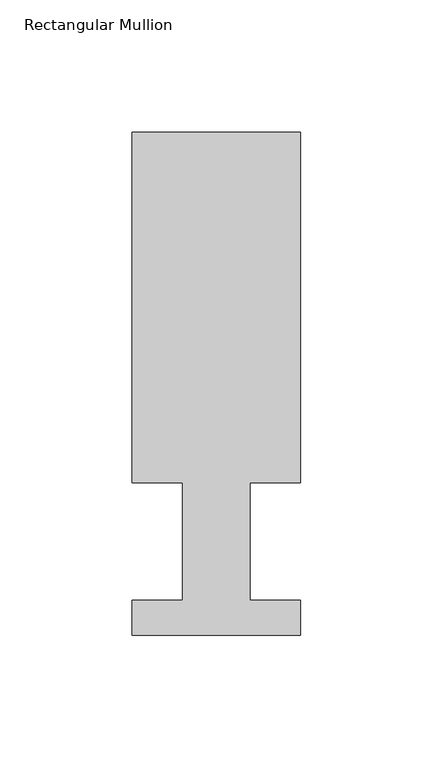
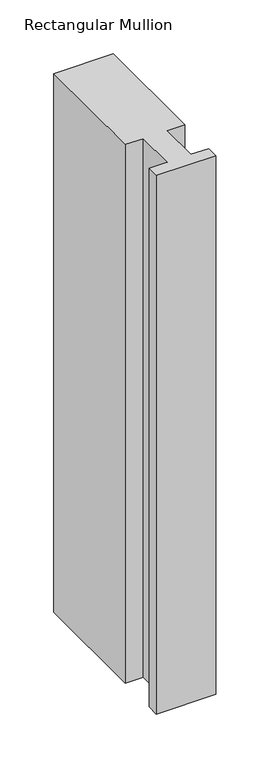
"""IFC4 building model written with IfcOpenShell, lengths in millimetres: member geometry, Rectangular Mullion."""

import ifcopenshell
import ifcopenshell.guid

model = None  # the IFC model being written
_history = None  # IfcOwnerHistory: only IFC2X3 demands one
_inside = {}  # id of a spatial element -> (the spatial element, [elements in it])
_under = {}  # id of a project, library or spatial element -> (it, [spatial elements below it])
_declared = {}  # id of a project -> (the project, [libraries it declares])
_typed = {}  # id of a type object -> (the type object, [elements of that type])
_made_of = {}  # id of a material, layer set ... -> (it, [elements and type objects made of it])


def new_model(schema):
    """Start an empty IFC model of exactly this schema.

    Asked for "IFC4X3", IfcOpenShell would pick the latest addendum, in which some entities
    have other attributes; the version numbers below select the first issue.
    IFC2X3 requires an IfcOwnerHistory on every rooted entity: one is made here for all.
    """
    global model, _history
    if schema == "IFC4X3":
        model = ifcopenshell.file(schema_version=(4, 3, 0, 0))
    else:
        model = ifcopenshell.file(schema=schema)
    _inside.clear()
    _under.clear()
    _declared.clear()
    _typed.clear()
    _made_of.clear()
    _history = None
    if model.schema == "IFC2X3":
        org = make("IfcOrganization", Name="unknown")
        user = make(
            "IfcPersonAndOrganization",
            ThePerson=make("IfcPerson", FamilyName="unknown"),
            TheOrganization=org,
        )
        app = make(
            "IfcApplication",
            ApplicationDeveloper=org,
            Version="unknown",
            ApplicationFullName="unknown",
            ApplicationIdentifier="unknown",
        )
        _history = make(
            "IfcOwnerHistory",
            OwningUser=user,
            OwningApplication=app,
            ChangeAction="ADDED",
            CreationDate=0,
        )
    return model


def make(cls, **values):
    """One entity of the class cls with the attributes given. An attribute that is None is left unset."""
    return model.create_entity(
        cls, **{name: value for name, value in values.items() if value is not None}
    )


def rooted(cls, **values):
    """An entity with a GlobalId (a new one), such as an element, a storey or a relation."""
    return make(cls, GlobalId=ifcopenshell.guid.new(), OwnerHistory=_history, **values)


def si_unit(unit_type, name, prefix=None):
    """IfcSIUnit, for example si_unit("LENGTHUNIT", "METRE", prefix="MILLI")."""
    return make("IfcSIUnit", UnitType=unit_type, Prefix=prefix, Name=name)


def assignment(units):
    """IfcUnitAssignment: the units of a project."""
    return None if units is None else make("IfcUnitAssignment", Units=units)


def point(xyz):
    """IfcCartesianPoint."""
    return None if xyz is None else make("IfcCartesianPoint", Coordinates=xyz)


def direction(xyz):
    """IfcDirection."""
    return None if xyz is None else make("IfcDirection", DirectionRatios=xyz)


def frame(location, z_axis=None, x_axis=None):
    """IfcAxis2Placement3D, a coordinate frame: its origin and axes. An axis left out is left unset."""
    return make(
        "IfcAxis2Placement3D",
        Location=point(location),
        Axis=direction(z_axis),
        RefDirection=direction(x_axis),
    )


def origin():
    """The frame at (0, 0, 0) with its axes left unset."""
    return frame((0.0, 0.0, 0.0))


def place(relative_to, where):
    """IfcLocalPlacement: puts the frame where relative to a parent placement (None: the world)."""
    return make(
        "IfcLocalPlacement", PlacementRelTo=relative_to, RelativePlacement=where
    )


def context(
    kind, dimensions, precision=None, world=None, true_north=None, identifier=None
):
    """IfcGeometricRepresentationContext, for example the 3D "Model" context."""
    return make(
        "IfcGeometricRepresentationContext",
        ContextIdentifier=identifier,
        ContextType=kind,
        CoordinateSpaceDimension=dimensions,
        Precision=precision,
        WorldCoordinateSystem=world,
        TrueNorth=true_north,
    )


def project(units=None, contexts=None):
    """IfcProject with its units and contexts."""
    return rooted(
        "IfcProject",
        Name="project",
        RepresentationContexts=contexts,
        UnitsInContext=assignment(units),
    )


def spatial(cls, under=None, at=None, **own):
    """A site, building, storey or space (cls), placed at a placement, below another one or the project."""
    s = rooted(cls, ObjectPlacement=at, **own)
    if under is not None:
        _under.setdefault(under.id(), (under, []))[1].append(s)
    return s


def polyline(points):
    """IfcPolyline through the points."""
    return make("IfcPolyline", Points=[point(p) for p in points])


def outline(outer, holes=None, kind="AREA"):
    """IfcArbitraryClosedProfileDef: a profile drawn as a closed curve; with holes, ...WithVoids."""
    if holes is None:
        return make("IfcArbitraryClosedProfileDef", ProfileType=kind, OuterCurve=outer)
    return make(
        "IfcArbitraryProfileDefWithVoids",
        ProfileType=kind,
        OuterCurve=outer,
        InnerCurves=holes,
    )


def extrude(swept, where, along, depth):
    """IfcExtrudedAreaSolid: the profile swept, set in the frame where, extruded along a direction by depth."""
    return make(
        "IfcExtrudedAreaSolid",
        SweptArea=swept,
        Position=where,
        ExtrudedDirection=direction(along),
        Depth=depth,
    )


def shape(context_of_items, identifier, shape_type, items):
    """IfcShapeRepresentation: the items that make up one representation, for example the "Body"."""
    return make(
        "IfcShapeRepresentation",
        ContextOfItems=context_of_items,
        RepresentationIdentifier=identifier,
        RepresentationType=shape_type,
        Items=items,
    )


def source(mapping_origin, context_of_items, identifier, shape_type, items):
    """IfcRepresentationMap: a shape defined once, which mapped items show again and again."""
    return make(
        "IfcRepresentationMap",
        MappingOrigin=mapping_origin,
        MappedRepresentation=shape(context_of_items, identifier, shape_type, items),
    )


def transform(
    local_origin,
    x_axis=None,
    y_axis=None,
    z_axis=None,
    scale=None,
    scale2=None,
    scale3=None,
    uniform=True,
):
    """IfcCartesianTransformationOperator3D, or its non-uniform kind. x_axis, y_axis, z_axis: its Axis1, 2, 3."""
    if uniform:
        return make(
            "IfcCartesianTransformationOperator3D",
            Axis1=direction(x_axis),
            Axis2=direction(y_axis),
            LocalOrigin=point(local_origin),
            Scale=scale,
            Axis3=direction(z_axis),
        )
    return make(
        "IfcCartesianTransformationOperator3DnonUniform",
        Axis1=direction(x_axis),
        Axis2=direction(y_axis),
        LocalOrigin=point(local_origin),
        Scale=scale,
        Axis3=direction(z_axis),
        Scale2=scale2,
        Scale3=scale3,
    )


def mapped(mapping_source, mapping_target):
    """IfcMappedItem: shows the shape of a source again, moved by a transform."""
    return make(
        "IfcMappedItem", MappingSource=mapping_source, MappingTarget=mapping_target
    )


def made_of(thing, what):
    """Note that an element or type object is made of a material, layer set ...; save() writes the relation."""
    if what is not None:
        _made_of.setdefault(what.id(), (what, []))[1].append(thing)
    return thing


def element(
    cls,
    number,
    at=None,
    inside=None,
    cuts=None,
    type_object=None,
    material=None,
    context=None,
    identifier="Body",
    shape_type=None,
    held_by="IfcProductDefinitionShape",
    body=None,
    shapes=None,
    **own,
):
    """One element of the class cls, such as IfcWall. Its Tag is "e" and its number.

    at: its placement. inside: the storey or other place that contains it. cuts: it is an
    opening in that element (IfcRelVoidsElement). A single representation is given by context,
    identifier, shape_type and body (its items); several are given by shapes. held_by: the class
    of the entity that holds the representations. save() writes the other relations.
    """
    e = rooted(cls, Tag="e%d" % number, ObjectPlacement=at, **own)
    if body is not None:
        shapes = [shape(context, identifier, shape_type, body)]
    if shapes is not None:
        e.Representation = make(held_by, Representations=shapes)
    if inside is not None:
        _inside.setdefault(inside.id(), (inside, []))[1].append(e)
    if cuts is not None:
        rooted(
            "IfcRelVoidsElement", RelatingBuildingElement=cuts, RelatedOpeningElement=e
        )
    if type_object is not None:
        _typed.setdefault(type_object.id(), (type_object, []))[1].append(e)
    return made_of(e, material)


def aggregate(whole, parts):
    """IfcRelAggregates: a whole, such as a stair, and the parts it consists of."""
    return rooted("IfcRelAggregates", RelatingObject=whole, RelatedObjects=parts)


def save(model, path):
    """Write the relations noted so far, then the file.

    IfcRelAggregates (storeys below a building ...), IfcRelContainedInSpatialStructure (elements
    in a storey), IfcRelDefinesByType, IfcRelAssociatesMaterial and IfcRelDeclares: one each for
    every whole, place, type object, material and project.
    """
    for whole, parts in _under.values():
        aggregate(whole, parts)
    for where, things in _inside.values():
        rooted(
            "IfcRelContainedInSpatialStructure",
            RelatedElements=things,
            RelatingStructure=where,
        )
    for kind, things in _typed.values():
        rooted("IfcRelDefinesByType", RelatedObjects=things, RelatingType=kind)
    for what, things in _made_of.values():
        rooted("IfcRelAssociatesMaterial", RelatedObjects=things, RelatingMaterial=what)
    for by, libraries in _declared.values():
        rooted("IfcRelDeclares", RelatingContext=by, RelatedDefinitions=libraries)
    model.write(path)


def rectangular_mullion_693c7716(model_context):
    return source(origin(), model_context, "Body", "SweptSolid", [
        extrude(outline(polyline([(-63.5, 189.8022937), (0.0, 189.8022937), (0.0, 57.6460937), (-19.0373, 57.6460937), (-19.0373, 13.1960937), (0.0, 13.1960937), (0.0, 0.0134937), (-63.5, 0.0134937), (-63.5, 13.1960937), (-44.45, 13.1960937), (-44.45, 57.6460937), (-63.5, 57.6460937), (-63.5, 189.8022937)])), frame((0.0, 0.0, -609.6), z_axis=(0.0, 0.0, 1.0), x_axis=(1.0, 0.0, 0.0)), (0.0, 0.0, 1.0), 609.6),
    ])


if __name__ == "__main__":
    model = new_model("IFC4")
    model_context = context("Model", 3, world=origin())
    ifc_project = project(units=[si_unit("LENGTHUNIT", "METRE", prefix="MILLI")], contexts=[model_context])
    site = spatial("IfcSite", under=ifc_project)
    building = spatial("IfcBuilding", under=site)
    placement = place(None, origin())
    rectangular_mullion_shape = rectangular_mullion_693c7716(model_context)
    element("IfcMember", 1, ObjectType="Rectangular Mullion", at=placement, inside=building, context=model_context, shape_type="MappedRepresentation", body=[
        mapped(rectangular_mullion_shape, transform((0.0, 0.0, 0.0), x_axis=(1.0, 0.0, 0.0), y_axis=(0.0, 1.0, 0.0), z_axis=(0.0, 0.0, 1.0))),
    ])
    save(model, "model.ifc")
